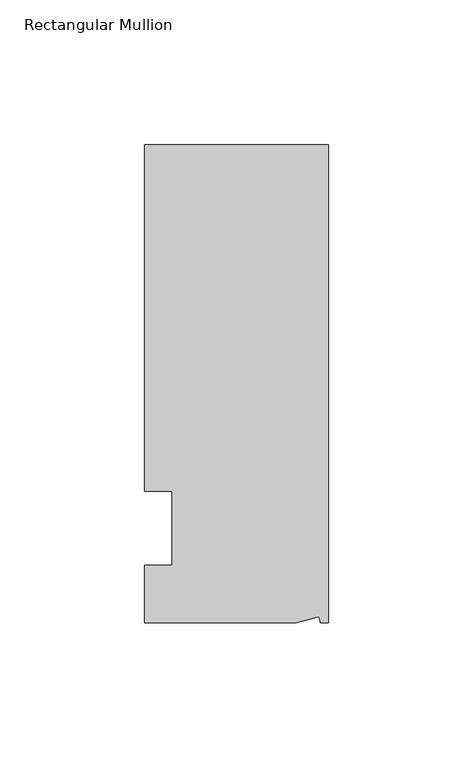
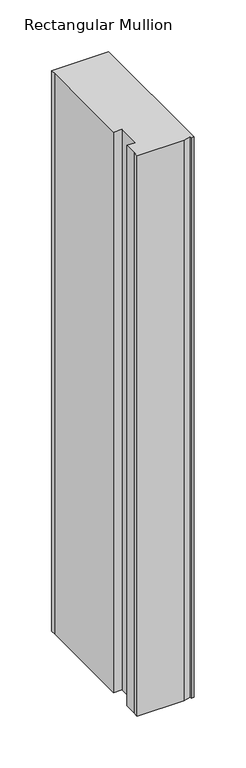
"""IFC4 building model written with IfcOpenShell, lengths in millimetres: member geometry, Rectangular Mullion."""

from ifc_helpers import new_model, si_unit, origin, place, context, project, spatial, faceted_brep, source, transform, mapped, element, save


def rectangular_mullion_151dda73(model_context):
    return source(origin(), model_context, "Body", "Brep", [
        faceted_brep([(0.0, 132.5561012, 0.0), (-63.5, 132.5561012, 0.0), (-63.5, 126.2061012, 0.0), (-63.5, 12.8488281, 0.0), (-53.975, 12.8488281, 0.0), (-53.975, -12.7, 0.0), (-63.5, -12.7, 0.0), (-63.5, -26.1938988, 0.0), (-63.5076469, -32.5438988, 0.0), (-11.1125, -32.5438988, 0.0), (-3.3223696, -30.4565397, 0.0), (-2.7630634, -32.5438988, 0.0), (0.0, -32.5438988, 0.0), (0.0, 132.5561012, -660.4), (0.0, -32.5438988, -660.4), (-2.7630634, -32.5438988, -660.4), (-3.3223696, -30.4565397, -660.4), (-11.1125, -32.5438988, -660.4), (-63.5076469, -32.5438988, -660.4), (-63.5076469, -26.1938988, -660.4), (-63.5, -12.7, -660.4), (-53.975, -12.7, -660.4), (-53.975, 12.8488281, -660.4), (-63.5, 12.8488281, -660.4), (-63.5, 126.2061012, -660.4), (-63.5, 132.5561012, -660.4)], [[[0, 1, 2, 3, 4, 5, 6, 7, 8, 9, 10, 11, 12]], [[13, 14, 15, 16, 17, 18, 19, 20, 21, 22, 23, 24, 25]], [[0, 12, 14, 13]], [[1, 0, 13, 25]], [[3, 2, 24, 23]], [[4, 3, 23, 22]], [[5, 4, 22, 21]], [[6, 5, 21, 20]], [[7, 6, 20, 19]], [[9, 8, 18, 17]], [[10, 9, 17, 16]], [[11, 10, 16, 15]], [[12, 11, 15, 14]], [[2, 1, 25, 24]], [[8, 7, 19, 18]]]),
    ])


if __name__ == "__main__":
    model = new_model("IFC4")
    model_context = context("Model", 3, world=origin())
    ifc_project = project(units=[si_unit("LENGTHUNIT", "METRE", prefix="MILLI")], contexts=[model_context])
    site = spatial("IfcSite", under=ifc_project)
    building = spatial("IfcBuilding", under=site)
    placement = place(None, origin())
    rectangular_mullion_shape = rectangular_mullion_151dda73(model_context)
    element("IfcMember", 1, ObjectType="Rectangular Mullion", at=placement, inside=building, context=model_context, shape_type="MappedRepresentation", body=[
        mapped(rectangular_mullion_shape, transform((0.0, 0.0, 0.0), x_axis=(1.0, 0.0, 0.0), y_axis=(0.0, 1.0, 0.0), z_axis=(0.0, 0.0, 1.0))),
    ])
    save(model, "model.ifc")
